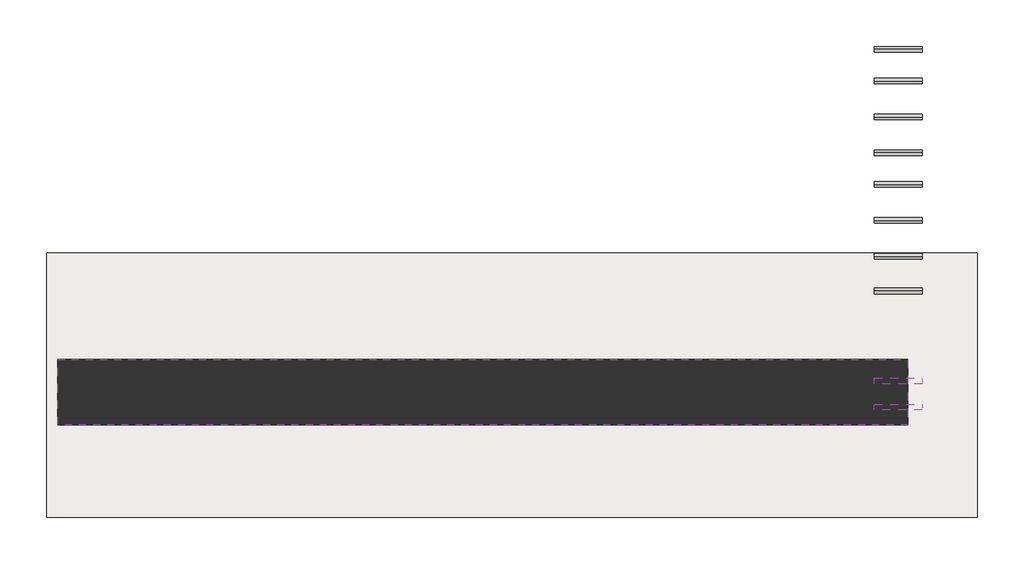
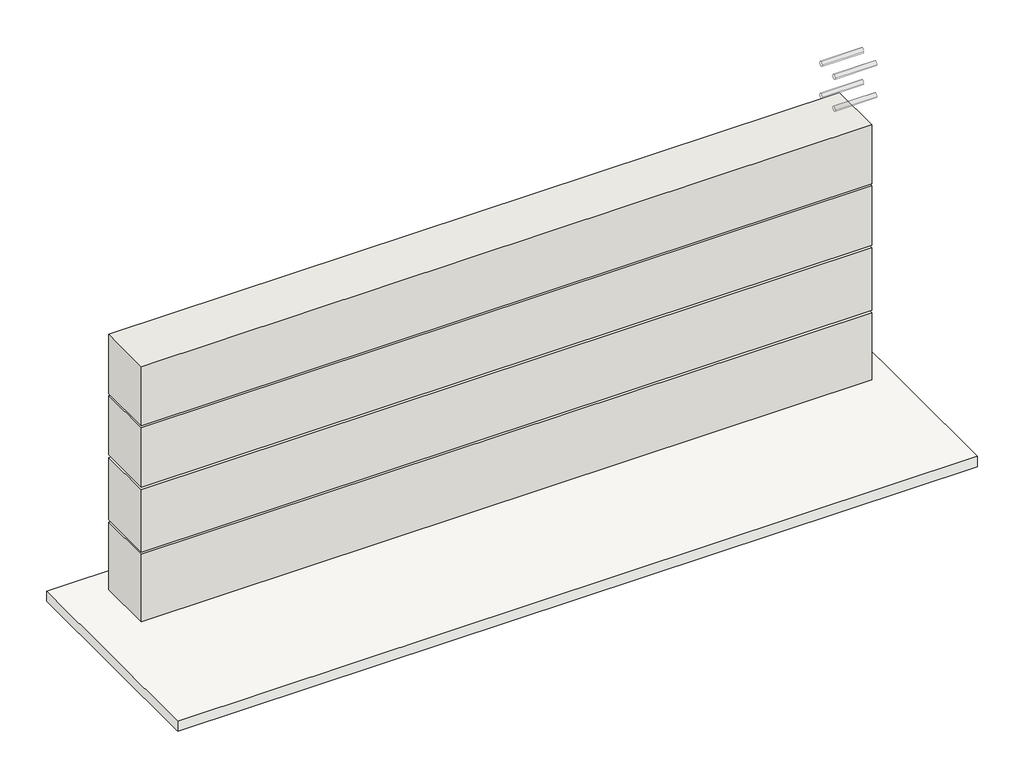
# One storey: 12 pipe segments, 4 walls, 1 covering.
"""IFC4 building model written with IfcOpenShell, lengths in millimetres."""

from ifc_helpers import new_model, si_unit, point, frame, frame_2d, origin, place, context, project, spatial, polyline, circle_curve, trimmed, segment, composite_curve, outline, extrude, element, save

model = new_model("IFC4")

# Units and contexts
model_context = context("Model", 3, world=origin())
ifc_project = project(units=[si_unit("LENGTHUNIT", "METRE", prefix="MILLI")], contexts=[model_context])

# Site, building, storey
site = spatial("IfcSite", under=ifc_project)
building = spatial("IfcBuilding", under=site)
storey = spatial("IfcBuildingStorey", under=building, Elevation=-300.0)

# Covering
placement = place(None, origin())
element("IfcCovering", 1, at=placement, inside=storey, context=model_context, shape_type="SweptSolid", body=[
    extrude(outline(polyline([(10313.9819706, -18960.7282499), (10313.9819706, -20172.7234345), (6043.0924071, -20172.7234345), (6043.0924071, -18960.7282499), (10313.9819706, -18960.7282499)])), frame((0.0, 0.0, 235.0), z_axis=(0.0, 0.0, 1.0), x_axis=(1.0, 0.0, 0.0)), (0.0, 0.0, 1.0), 57.0),
])

# Pipe segments
element("IfcPipeSegment", 2, at=placement, inside=storey, context=model_context, shape_type="SweptSolid", body=[
    extrude(outline(composite_curve([segment(trimmed(circle_curve(frame_2d((-19135.0614882, 731.1125742)), 13.335), [point((-19121.7264882, 731.1125742))], [point((-19135.0614882, 717.7775742))], False, "CARTESIAN"), True, "CONTINUOUS"), segment(trimmed(circle_curve(frame_2d((-19135.0614882, 731.1125742)), 13.335), [point((-19135.0614882, 717.7775742))], [point((-19148.3964882, 731.1125742))], False, "CARTESIAN"), True, "CONTINUOUS"), segment(trimmed(circle_curve(frame_2d((-19135.0614882, 731.1125742)), 13.335), [point((-19148.3964882, 731.1125742))], [point((-19135.0614882, 744.4475742))], False, "CARTESIAN"), True, "CONTINUOUS"), segment(trimmed(circle_curve(frame_2d((-19135.0614882, 731.1125742)), 13.335), [point((-19135.0614882, 744.4475742))], [point((-19121.7264882, 731.1125742))], False, "CARTESIAN"), True, "CONTINUOUS")], self_intersect=False)), frame((9841.4301299, 0.0, 0.0), z_axis=(1.0, 0.0, 0.0), x_axis=(0.0, 1.0, 0.0)), (0.0, 0.0, 1.0), 220.0),
])
element("IfcPipeSegment", 3, at=placement, inside=storey, context=model_context, shape_type="SweptSolid", body=[
    extrude(outline(composite_curve([segment(trimmed(circle_curve(frame_2d((-18975.0614882, 731.1125742)), 13.335), [point((-18961.7264882, 731.1125742))], [point((-18975.0614882, 717.7775742))], False, "CARTESIAN"), True, "CONTINUOUS"), segment(trimmed(circle_curve(frame_2d((-18975.0614882, 731.1125742)), 13.335), [point((-18975.0614882, 717.7775742))], [point((-18988.3964882, 731.1125742))], False, "CARTESIAN"), True, "CONTINUOUS"), segment(trimmed(circle_curve(frame_2d((-18975.0614882, 731.1125742)), 13.335), [point((-18988.3964882, 731.1125742))], [point((-18975.0614882, 744.4475742))], False, "CARTESIAN"), True, "CONTINUOUS"), segment(trimmed(circle_curve(frame_2d((-18975.0614882, 731.1125742)), 13.335), [point((-18975.0614882, 744.4475742))], [point((-18961.7264882, 731.1125742))], False, "CARTESIAN"), True, "CONTINUOUS")], self_intersect=False)), frame((9841.4301299, 0.0, 0.0), z_axis=(1.0, 0.0, 0.0), x_axis=(0.0, 1.0, 0.0)), (0.0, 0.0, 1.0), 220.0),
])
element("IfcPipeSegment", 4, at=placement, inside=storey, context=model_context, shape_type="SweptSolid", body=[
    extrude(outline(composite_curve([segment(trimmed(circle_curve(frame_2d((-18810.0614882, 731.1125742)), 13.335), [point((-18796.7264882, 731.1125742))], [point((-18810.0614882, 717.7775742))], False, "CARTESIAN"), True, "CONTINUOUS"), segment(trimmed(circle_curve(frame_2d((-18810.0614882, 731.1125742)), 13.335), [point((-18810.0614882, 717.7775742))], [point((-18823.3964882, 731.1125742))], False, "CARTESIAN"), True, "CONTINUOUS"), segment(trimmed(circle_curve(frame_2d((-18810.0614882, 731.1125742)), 13.335), [point((-18823.3964882, 731.1125742))], [point((-18810.0614882, 744.4475742))], False, "CARTESIAN"), True, "CONTINUOUS"), segment(trimmed(circle_curve(frame_2d((-18810.0614882, 731.1125742)), 13.335), [point((-18810.0614882, 744.4475742))], [point((-18796.7264882, 731.1125742))], False, "CARTESIAN"), True, "CONTINUOUS")], self_intersect=False)), frame((9841.4301299, 0.0, 0.0), z_axis=(1.0, 0.0, 0.0), x_axis=(0.0, 1.0, 0.0)), (0.0, 0.0, 1.0), 220.0),
])
element("IfcPipeSegment", 5, at=placement, inside=storey, context=model_context, shape_type="SweptSolid", body=[
    extrude(outline(composite_curve([segment(trimmed(circle_curve(frame_2d((-18645.0614882, 731.1125742)), 13.335), [point((-18631.7264882, 731.1125742))], [point((-18645.0614882, 717.7775742))], False, "CARTESIAN"), True, "CONTINUOUS"), segment(trimmed(circle_curve(frame_2d((-18645.0614882, 731.1125742)), 13.335), [point((-18645.0614882, 717.7775742))], [point((-18658.3964882, 731.1125742))], False, "CARTESIAN"), True, "CONTINUOUS"), segment(trimmed(circle_curve(frame_2d((-18645.0614882, 731.1125742)), 13.335), [point((-18658.3964882, 731.1125742))], [point((-18645.0614882, 744.4475742))], False, "CARTESIAN"), True, "CONTINUOUS"), segment(trimmed(circle_curve(frame_2d((-18645.0614882, 731.1125742)), 13.335), [point((-18645.0614882, 744.4475742))], [point((-18631.7264882, 731.1125742))], False, "CARTESIAN"), True, "CONTINUOUS")], self_intersect=False)), frame((9841.4301299, 0.0, 0.0), z_axis=(1.0, 0.0, 0.0), x_axis=(0.0, 1.0, 0.0)), (0.0, 0.0, 1.0), 220.0),
])
element("IfcPipeSegment", 6, at=placement, inside=storey, context=model_context, shape_type="SweptSolid", body=[
    extrude(outline(composite_curve([segment(trimmed(circle_curve(frame_2d((-18500.0614882, 731.1125742)), 13.335), [point((-18486.7264882, 731.1125742))], [point((-18500.0614882, 717.7775742))], False, "CARTESIAN"), True, "CONTINUOUS"), segment(trimmed(circle_curve(frame_2d((-18500.0614882, 731.1125742)), 13.335), [point((-18500.0614882, 717.7775742))], [point((-18513.3964882, 731.1125742))], False, "CARTESIAN"), True, "CONTINUOUS"), segment(trimmed(circle_curve(frame_2d((-18500.0614882, 731.1125742)), 13.335), [point((-18513.3964882, 731.1125742))], [point((-18500.0614882, 744.4475742))], False, "CARTESIAN"), True, "CONTINUOUS"), segment(trimmed(circle_curve(frame_2d((-18500.0614882, 731.1125742)), 13.335), [point((-18500.0614882, 744.4475742))], [point((-18486.7264882, 731.1125742))], False, "CARTESIAN"), True, "CONTINUOUS")], self_intersect=False)), frame((9841.4301299, 0.0, 0.0), z_axis=(1.0, 0.0, 0.0), x_axis=(0.0, 1.0, 0.0)), (0.0, 0.0, 1.0), 220.0),
])
element("IfcPipeSegment", 7, at=placement, inside=storey, context=model_context, shape_type="SweptSolid", body=[
    extrude(outline(composite_curve([segment(trimmed(circle_curve(frame_2d((-18335.0614882, 731.1125742)), 13.335), [point((-18321.7264882, 731.1125742))], [point((-18335.0614882, 717.7775742))], False, "CARTESIAN"), True, "CONTINUOUS"), segment(trimmed(circle_curve(frame_2d((-18335.0614882, 731.1125742)), 13.335), [point((-18335.0614882, 717.7775742))], [point((-18348.3964882, 731.1125742))], False, "CARTESIAN"), True, "CONTINUOUS"), segment(trimmed(circle_curve(frame_2d((-18335.0614882, 731.1125742)), 13.335), [point((-18348.3964882, 731.1125742))], [point((-18335.0614882, 744.4475742))], False, "CARTESIAN"), True, "CONTINUOUS"), segment(trimmed(circle_curve(frame_2d((-18335.0614882, 731.1125742)), 13.335), [point((-18335.0614882, 744.4475742))], [point((-18321.7264882, 731.1125742))], False, "CARTESIAN"), True, "CONTINUOUS")], self_intersect=False)), frame((9841.4301299, 0.0, 0.0), z_axis=(1.0, 0.0, 0.0), x_axis=(0.0, 1.0, 0.0)), (0.0, 0.0, 1.0), 220.0),
])
element("IfcPipeSegment", 8, at=placement, inside=storey, context=model_context, shape_type="SweptSolid", body=[
    extrude(outline(composite_curve([segment(trimmed(circle_curve(frame_2d((-18170.0614882, 731.1125742)), 13.335), [point((-18156.7264882, 731.1125742))], [point((-18170.0614882, 717.7775742))], False, "CARTESIAN"), True, "CONTINUOUS"), segment(trimmed(circle_curve(frame_2d((-18170.0614882, 731.1125742)), 13.335), [point((-18170.0614882, 717.7775742))], [point((-18183.3964882, 731.1125742))], False, "CARTESIAN"), True, "CONTINUOUS"), segment(trimmed(circle_curve(frame_2d((-18170.0614882, 731.1125742)), 13.335), [point((-18183.3964882, 731.1125742))], [point((-18170.0614882, 744.4475742))], False, "CARTESIAN"), True, "CONTINUOUS"), segment(trimmed(circle_curve(frame_2d((-18170.0614882, 731.1125742)), 13.335), [point((-18170.0614882, 744.4475742))], [point((-18156.7264882, 731.1125742))], False, "CARTESIAN"), True, "CONTINUOUS")], self_intersect=False)), frame((9841.4301299, 0.0, 0.0), z_axis=(1.0, 0.0, 0.0), x_axis=(0.0, 1.0, 0.0)), (0.0, 0.0, 1.0), 220.0),
])
element("IfcPipeSegment", 9, at=placement, inside=storey, context=model_context, shape_type="SweptSolid", body=[
    extrude(outline(composite_curve([segment(trimmed(circle_curve(frame_2d((-18025.0614882, 731.1125742)), 13.335), [point((-18011.7264882, 731.1125742))], [point((-18025.0614882, 717.7775742))], False, "CARTESIAN"), True, "CONTINUOUS"), segment(trimmed(circle_curve(frame_2d((-18025.0614882, 731.1125742)), 13.335), [point((-18025.0614882, 717.7775742))], [point((-18038.3964882, 731.1125742))], False, "CARTESIAN"), True, "CONTINUOUS"), segment(trimmed(circle_curve(frame_2d((-18025.0614882, 731.1125742)), 13.335), [point((-18038.3964882, 731.1125742))], [point((-18025.0614882, 744.4475742))], False, "CARTESIAN"), True, "CONTINUOUS"), segment(trimmed(circle_curve(frame_2d((-18025.0614882, 731.1125742)), 13.335), [point((-18025.0614882, 744.4475742))], [point((-18011.7264882, 731.1125742))], False, "CARTESIAN"), True, "CONTINUOUS")], self_intersect=False)), frame((9841.4301299, 0.0, 0.0), z_axis=(1.0, 0.0, 0.0), x_axis=(0.0, 1.0, 0.0)), (0.0, 0.0, 1.0), 220.0),
])
element("IfcPipeSegment", 10, at=placement, inside=storey, context=model_context, shape_type="SweptSolid", body=[
    extrude(outline(composite_curve([segment(trimmed(circle_curve(frame_2d((-19547.0718217, 2293.6999761)), 13.335), [point((-19533.7368217, 2293.6999761))], [point((-19547.0718217, 2280.3649761))], False, "CARTESIAN"), True, "CONTINUOUS"), segment(trimmed(circle_curve(frame_2d((-19547.0718217, 2293.6999761)), 13.335), [point((-19547.0718217, 2280.3649761))], [point((-19560.4068217, 2293.6999761))], False, "CARTESIAN"), True, "CONTINUOUS"), segment(trimmed(circle_curve(frame_2d((-19547.0718217, 2293.6999761)), 13.335), [point((-19560.4068217, 2293.6999761))], [point((-19547.0718217, 2307.0349761))], False, "CARTESIAN"), True, "CONTINUOUS"), segment(trimmed(circle_curve(frame_2d((-19547.0718217, 2293.6999761)), 13.335), [point((-19547.0718217, 2307.0349761))], [point((-19533.7368217, 2293.6999761))], False, "CARTESIAN"), True, "CONTINUOUS")], self_intersect=False)), frame((9841.4301299, 0.0, 0.0), z_axis=(1.0, 0.0, 0.0), x_axis=(0.0, 1.0, 0.0)), (0.0, 0.0, 1.0), 220.0),
])
element("IfcPipeSegment", 11, at=placement, inside=storey, context=model_context, shape_type="SweptSolid", body=[
    extrude(outline(composite_curve([segment(trimmed(circle_curve(frame_2d((-19547.0718217, 2113.6999761)), 13.335), [point((-19533.7368217, 2113.6999761))], [point((-19547.0718217, 2100.3649761))], False, "CARTESIAN"), True, "CONTINUOUS"), segment(trimmed(circle_curve(frame_2d((-19547.0718217, 2113.6999761)), 13.335), [point((-19547.0718217, 2100.3649761))], [point((-19560.4068217, 2113.6999761))], False, "CARTESIAN"), True, "CONTINUOUS"), segment(trimmed(circle_curve(frame_2d((-19547.0718217, 2113.6999761)), 13.335), [point((-19560.4068217, 2113.6999761))], [point((-19547.0718217, 2127.0349761))], False, "CARTESIAN"), True, "CONTINUOUS"), segment(trimmed(circle_curve(frame_2d((-19547.0718217, 2113.6999761)), 13.335), [point((-19547.0718217, 2127.0349761))], [point((-19533.7368217, 2113.6999761))], False, "CARTESIAN"), True, "CONTINUOUS")], self_intersect=False)), frame((9841.4301299, 0.0, 0.0), z_axis=(1.0, 0.0, 0.0), x_axis=(0.0, 1.0, 0.0)), (0.0, 0.0, 1.0), 220.0),
])
element("IfcPipeSegment", 12, at=placement, inside=storey, context=model_context, shape_type="SweptSolid", body=[
    extrude(outline(composite_curve([segment(trimmed(circle_curve(frame_2d((-19667.8149096, 2293.6999761)), 13.335), [point((-19654.4799096, 2293.6999761))], [point((-19667.8149096, 2280.3649761))], False, "CARTESIAN"), True, "CONTINUOUS"), segment(trimmed(circle_curve(frame_2d((-19667.8149096, 2293.6999761)), 13.335), [point((-19667.8149096, 2280.3649761))], [point((-19681.1499096, 2293.6999761))], False, "CARTESIAN"), True, "CONTINUOUS"), segment(trimmed(circle_curve(frame_2d((-19667.8149096, 2293.6999761)), 13.335), [point((-19681.1499096, 2293.6999761))], [point((-19667.8149096, 2307.0349761))], False, "CARTESIAN"), True, "CONTINUOUS"), segment(trimmed(circle_curve(frame_2d((-19667.8149096, 2293.6999761)), 13.335), [point((-19667.8149096, 2307.0349761))], [point((-19654.4799096, 2293.6999761))], False, "CARTESIAN"), True, "CONTINUOUS")], self_intersect=False)), frame((9841.4301299, 0.0, 0.0), z_axis=(1.0, 0.0, 0.0), x_axis=(0.0, 1.0, 0.0)), (0.0, 0.0, 1.0), 220.0),
])
element("IfcPipeSegment", 13, at=placement, inside=storey, context=model_context, shape_type="SweptSolid", body=[
    extrude(outline(composite_curve([segment(trimmed(circle_curve(frame_2d((-19667.8149096, 2113.6999761)), 13.335), [point((-19654.4799096, 2113.6999761))], [point((-19667.8149096, 2100.3649761))], False, "CARTESIAN"), True, "CONTINUOUS"), segment(trimmed(circle_curve(frame_2d((-19667.8149096, 2113.6999761)), 13.335), [point((-19667.8149096, 2100.3649761))], [point((-19681.1499096, 2113.6999761))], False, "CARTESIAN"), True, "CONTINUOUS"), segment(trimmed(circle_curve(frame_2d((-19667.8149096, 2113.6999761)), 13.335), [point((-19681.1499096, 2113.6999761))], [point((-19667.8149096, 2127.0349761))], False, "CARTESIAN"), True, "CONTINUOUS"), segment(trimmed(circle_curve(frame_2d((-19667.8149096, 2113.6999761)), 13.335), [point((-19667.8149096, 2127.0349761))], [point((-19654.4799096, 2113.6999761))], False, "CARTESIAN"), True, "CONTINUOUS")], self_intersect=False)), frame((9841.4301299, 0.0, 0.0), z_axis=(1.0, 0.0, 0.0), x_axis=(0.0, 1.0, 0.0)), (0.0, 0.0, 1.0), 220.0),
])

# Walls
element("IfcWall", 14, at=placement, inside=storey, context=model_context, shape_type="SweptSolid", body=[
    extrude(outline(polyline([(6093.9819706, -19449.595135), (9993.9819706, -19449.595135), (9993.9819706, -19749.595135), (6093.9819706, -19749.595135), (6093.9819706, -19449.595135)])), frame((0.0, 0.0, 1686.1773774), z_axis=(0.0, 0.0, 1.0), x_axis=(1.0, 0.0, 0.0)), (0.0, 0.0, 1.0), 333.8226226),
])
element("IfcWall", 15, at=placement, inside=storey, context=model_context, shape_type="SweptSolid", body=[
    extrude(outline(polyline([(6093.9819706, -19449.595135), (9993.9819706, -19449.595135), (9993.9819706, -19749.595135), (6093.9819706, -19749.595135), (6093.9819706, -19449.595135)])), frame((0.0, 0.0, 1340.0), z_axis=(0.0, 0.0, 1.0), x_axis=(1.0, 0.0, 0.0)), (0.0, 0.0, 1.0), 335.0),
])
element("IfcWall", 16, at=placement, inside=storey, context=model_context, shape_type="SweptSolid", body=[
    extrude(outline(polyline([(6093.9819706, -19449.595135), (9993.9819706, -19449.595135), (9993.9819706, -19749.595135), (6093.9819706, -19749.595135), (6093.9819706, -19449.595135)])), frame((0.0, 0.0, 973.6031149), z_axis=(0.0, 0.0, 1.0), x_axis=(1.0, 0.0, 0.0)), (0.0, 0.0, 1.0), 351.3968851),
])
element("IfcWall", 17, at=placement, inside=storey, context=model_context, shape_type="SweptSolid", body=[
    extrude(outline(polyline([(6093.9819706, -19449.595135), (9993.9819706, -19449.595135), (9993.9819706, -19749.595135), (6093.9819706, -19749.595135), (6093.9819706, -19449.595135)])), frame((0.0, 0.0, 580.0), z_axis=(0.0, 0.0, 1.0), x_axis=(1.0, 0.0, 0.0)), (0.0, 0.0, 1.0), 380.0),
])

save(model, "model.ifc")
